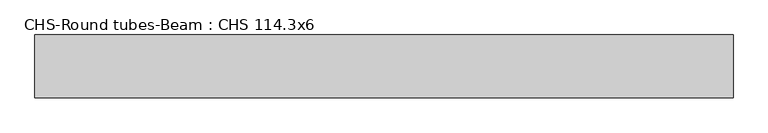
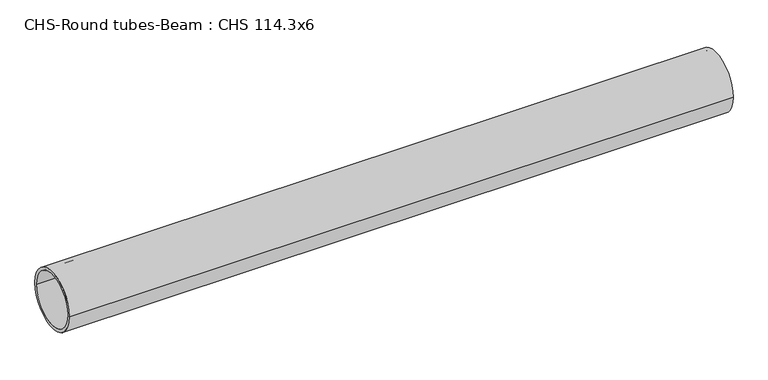
"""IFC4 building model written with IfcOpenShell, lengths in millimetres: beam geometry, CHS-Round tubes-Beam : CHS 114.3x6."""

import ifcopenshell
import ifcopenshell.guid

model = None  # the IFC model being written
_history = None  # IfcOwnerHistory: only IFC2X3 demands one
_inside = {}  # id of a spatial element -> (the spatial element, [elements in it])
_under = {}  # id of a project, library or spatial element -> (it, [spatial elements below it])
_declared = {}  # id of a project -> (the project, [libraries it declares])
_typed = {}  # id of a type object -> (the type object, [elements of that type])
_made_of = {}  # id of a material, layer set ... -> (it, [elements and type objects made of it])


def new_model(schema):
    """Start an empty IFC model of exactly this schema.

    Asked for "IFC4X3", IfcOpenShell would pick the latest addendum, in which some entities
    have other attributes; the version numbers below select the first issue.
    IFC2X3 requires an IfcOwnerHistory on every rooted entity: one is made here for all.
    """
    global model, _history
    if schema == "IFC4X3":
        model = ifcopenshell.file(schema_version=(4, 3, 0, 0))
    else:
        model = ifcopenshell.file(schema=schema)
    _inside.clear()
    _under.clear()
    _declared.clear()
    _typed.clear()
    _made_of.clear()
    _history = None
    if model.schema == "IFC2X3":
        org = make("IfcOrganization", Name="unknown")
        user = make(
            "IfcPersonAndOrganization",
            ThePerson=make("IfcPerson", FamilyName="unknown"),
            TheOrganization=org,
        )
        app = make(
            "IfcApplication",
            ApplicationDeveloper=org,
            Version="unknown",
            ApplicationFullName="unknown",
            ApplicationIdentifier="unknown",
        )
        _history = make(
            "IfcOwnerHistory",
            OwningUser=user,
            OwningApplication=app,
            ChangeAction="ADDED",
            CreationDate=0,
        )
    return model


def make(cls, **values):
    """One entity of the class cls with the attributes given. An attribute that is None is left unset."""
    return model.create_entity(
        cls, **{name: value for name, value in values.items() if value is not None}
    )


def rooted(cls, **values):
    """An entity with a GlobalId (a new one), such as an element, a storey or a relation."""
    return make(cls, GlobalId=ifcopenshell.guid.new(), OwnerHistory=_history, **values)


def si_unit(unit_type, name, prefix=None):
    """IfcSIUnit, for example si_unit("LENGTHUNIT", "METRE", prefix="MILLI")."""
    return make("IfcSIUnit", UnitType=unit_type, Prefix=prefix, Name=name)


def assignment(units):
    """IfcUnitAssignment: the units of a project."""
    return None if units is None else make("IfcUnitAssignment", Units=units)


def point(xyz):
    """IfcCartesianPoint."""
    return None if xyz is None else make("IfcCartesianPoint", Coordinates=xyz)


def direction(xyz):
    """IfcDirection."""
    return None if xyz is None else make("IfcDirection", DirectionRatios=xyz)


def frame(location, z_axis=None, x_axis=None):
    """IfcAxis2Placement3D, a coordinate frame: its origin and axes. An axis left out is left unset."""
    return make(
        "IfcAxis2Placement3D",
        Location=point(location),
        Axis=direction(z_axis),
        RefDirection=direction(x_axis),
    )


def frame_2d(location, x_axis=None):
    """IfcAxis2Placement2D, a coordinate frame in the plane: its origin and x axis."""
    return make(
        "IfcAxis2Placement2D", Location=point(location), RefDirection=direction(x_axis)
    )


def origin():
    """The frame at (0, 0, 0) with its axes left unset."""
    return frame((0.0, 0.0, 0.0))


def origin_2d():
    """The frame at (0, 0) in the plane with its x axis left unset."""
    return frame_2d((0.0, 0.0))


def place(relative_to, where):
    """IfcLocalPlacement: puts the frame where relative to a parent placement (None: the world)."""
    return make(
        "IfcLocalPlacement", PlacementRelTo=relative_to, RelativePlacement=where
    )


def context(
    kind, dimensions, precision=None, world=None, true_north=None, identifier=None
):
    """IfcGeometricRepresentationContext, for example the 3D "Model" context."""
    return make(
        "IfcGeometricRepresentationContext",
        ContextIdentifier=identifier,
        ContextType=kind,
        CoordinateSpaceDimension=dimensions,
        Precision=precision,
        WorldCoordinateSystem=world,
        TrueNorth=true_north,
    )


def project(units=None, contexts=None):
    """IfcProject with its units and contexts."""
    return rooted(
        "IfcProject",
        Name="project",
        RepresentationContexts=contexts,
        UnitsInContext=assignment(units),
    )


def spatial(cls, under=None, at=None, **own):
    """A site, building, storey or space (cls), placed at a placement, below another one or the project."""
    s = rooted(cls, ObjectPlacement=at, **own)
    if under is not None:
        _under.setdefault(under.id(), (under, []))[1].append(s)
    return s


def circle_curve(where, radius):
    """IfcCircle in the frame where."""
    return make("IfcCircle", Position=where, Radius=radius)


def trimmed(basis, trim1, trim2, sense, master):
    """IfcTrimmedCurve: the piece of a basis curve between two trims."""
    return make(
        "IfcTrimmedCurve",
        BasisCurve=basis,
        Trim1=trim1,
        Trim2=trim2,
        SenseAgreement=sense,
        MasterRepresentation=master,
    )


def segment(curve, same_sense, transition):
    """IfcCompositeCurveSegment."""
    return make(
        "IfcCompositeCurveSegment",
        Transition=transition,
        SameSense=same_sense,
        ParentCurve=curve,
    )


def composite_curve(segments, self_intersect=None):
    """IfcCompositeCurve: segments joined end to end."""
    return make("IfcCompositeCurve", Segments=segments, SelfIntersect=self_intersect)


def outline(outer, holes=None, kind="AREA"):
    """IfcArbitraryClosedProfileDef: a profile drawn as a closed curve; with holes, ...WithVoids."""
    if holes is None:
        return make("IfcArbitraryClosedProfileDef", ProfileType=kind, OuterCurve=outer)
    return make(
        "IfcArbitraryProfileDefWithVoids",
        ProfileType=kind,
        OuterCurve=outer,
        InnerCurves=holes,
    )


def extrude(swept, where, along, depth):
    """IfcExtrudedAreaSolid: the profile swept, set in the frame where, extruded along a direction by depth."""
    return make(
        "IfcExtrudedAreaSolid",
        SweptArea=swept,
        Position=where,
        ExtrudedDirection=direction(along),
        Depth=depth,
    )


def shape(context_of_items, identifier, shape_type, items):
    """IfcShapeRepresentation: the items that make up one representation, for example the "Body"."""
    return make(
        "IfcShapeRepresentation",
        ContextOfItems=context_of_items,
        RepresentationIdentifier=identifier,
        RepresentationType=shape_type,
        Items=items,
    )


def source(mapping_origin, context_of_items, identifier, shape_type, items):
    """IfcRepresentationMap: a shape defined once, which mapped items show again and again."""
    return make(
        "IfcRepresentationMap",
        MappingOrigin=mapping_origin,
        MappedRepresentation=shape(context_of_items, identifier, shape_type, items),
    )


def transform(
    local_origin,
    x_axis=None,
    y_axis=None,
    z_axis=None,
    scale=None,
    scale2=None,
    scale3=None,
    uniform=True,
):
    """IfcCartesianTransformationOperator3D, or its non-uniform kind. x_axis, y_axis, z_axis: its Axis1, 2, 3."""
    if uniform:
        return make(
            "IfcCartesianTransformationOperator3D",
            Axis1=direction(x_axis),
            Axis2=direction(y_axis),
            LocalOrigin=point(local_origin),
            Scale=scale,
            Axis3=direction(z_axis),
        )
    return make(
        "IfcCartesianTransformationOperator3DnonUniform",
        Axis1=direction(x_axis),
        Axis2=direction(y_axis),
        LocalOrigin=point(local_origin),
        Scale=scale,
        Axis3=direction(z_axis),
        Scale2=scale2,
        Scale3=scale3,
    )


def mapped(mapping_source, mapping_target):
    """IfcMappedItem: shows the shape of a source again, moved by a transform."""
    return make(
        "IfcMappedItem", MappingSource=mapping_source, MappingTarget=mapping_target
    )


def made_of(thing, what):
    """Note that an element or type object is made of a material, layer set ...; save() writes the relation."""
    if what is not None:
        _made_of.setdefault(what.id(), (what, []))[1].append(thing)
    return thing


def element(
    cls,
    number,
    at=None,
    inside=None,
    cuts=None,
    type_object=None,
    material=None,
    context=None,
    identifier="Body",
    shape_type=None,
    held_by="IfcProductDefinitionShape",
    body=None,
    shapes=None,
    **own,
):
    """One element of the class cls, such as IfcWall. Its Tag is "e" and its number.

    at: its placement. inside: the storey or other place that contains it. cuts: it is an
    opening in that element (IfcRelVoidsElement). A single representation is given by context,
    identifier, shape_type and body (its items); several are given by shapes. held_by: the class
    of the entity that holds the representations. save() writes the other relations.
    """
    e = rooted(cls, Tag="e%d" % number, ObjectPlacement=at, **own)
    if body is not None:
        shapes = [shape(context, identifier, shape_type, body)]
    if shapes is not None:
        e.Representation = make(held_by, Representations=shapes)
    if inside is not None:
        _inside.setdefault(inside.id(), (inside, []))[1].append(e)
    if cuts is not None:
        rooted(
            "IfcRelVoidsElement", RelatingBuildingElement=cuts, RelatedOpeningElement=e
        )
    if type_object is not None:
        _typed.setdefault(type_object.id(), (type_object, []))[1].append(e)
    return made_of(e, material)


def aggregate(whole, parts):
    """IfcRelAggregates: a whole, such as a stair, and the parts it consists of."""
    return rooted("IfcRelAggregates", RelatingObject=whole, RelatedObjects=parts)


def save(model, path):
    """Write the relations noted so far, then the file.

    IfcRelAggregates (storeys below a building ...), IfcRelContainedInSpatialStructure (elements
    in a storey), IfcRelDefinesByType, IfcRelAssociatesMaterial and IfcRelDeclares: one each for
    every whole, place, type object, material and project.
    """
    for whole, parts in _under.values():
        aggregate(whole, parts)
    for where, things in _inside.values():
        rooted(
            "IfcRelContainedInSpatialStructure",
            RelatedElements=things,
            RelatingStructure=where,
        )
    for kind, things in _typed.values():
        rooted("IfcRelDefinesByType", RelatedObjects=things, RelatingType=kind)
    for what, things in _made_of.values():
        rooted("IfcRelAssociatesMaterial", RelatedObjects=things, RelatingMaterial=what)
    for by, libraries in _declared.values():
        rooted("IfcRelDeclares", RelatingContext=by, RelatedDefinitions=libraries)
    model.write(path)


def chs_round_tubes_beam_chs_114_3x6_088eb5e1(model_context):
    return source(origin(), model_context, "Body", "SweptSolid", [
        extrude(outline(composite_curve([segment(trimmed(circle_curve(origin_2d(), 57.15), [point((57.15, 0.0))], [point((-57.15, 0.0))], False, "CARTESIAN"), True, "CONTINUOUS"), segment(trimmed(circle_curve(origin_2d(), 57.15), [point((-57.15, 0.0))], [point((57.15, 0.0))], False, "CARTESIAN"), True, "CONTINUOUS")], self_intersect=False), holes=[composite_curve([segment(trimmed(circle_curve(origin_2d(), 51.15), [point((51.15, 0.0))], [point((-51.15, 0.0))], True, "CARTESIAN"), True, "CONTINUOUS"), segment(trimmed(circle_curve(origin_2d(), 51.15), [point((-51.15, 0.0))], [point((51.15, 0.0))], True, "CARTESIAN"), True, "CONTINUOUS")], self_intersect=False)]), frame((-631.8454759, 0.0, 0.0), z_axis=(1.0, 0.0, 0.0), x_axis=(0.0, 1.0, 0.0)), (0.0, 0.0, 1.0), 1271.2352302),
    ])


if __name__ == "__main__":
    model = new_model("IFC4")
    model_context = context("Model", 3, world=origin())
    ifc_project = project(units=[si_unit("LENGTHUNIT", "METRE", prefix="MILLI")], contexts=[model_context])
    site = spatial("IfcSite", under=ifc_project)
    building = spatial("IfcBuilding", under=site)
    placement = place(None, origin())
    chs_round_tubes_beam_chs_114_3x6_shape = chs_round_tubes_beam_chs_114_3x6_088eb5e1(model_context)
    element("IfcBeam", 1, ObjectType="CHS-Round tubes-Beam : CHS 114.3x6", at=placement, inside=building, context=model_context, shape_type="MappedRepresentation", body=[
        mapped(chs_round_tubes_beam_chs_114_3x6_shape, transform((0.0, 0.0, 0.0), x_axis=(1.0, 0.0, 0.0), y_axis=(0.0, 1.0, 0.0), z_axis=(0.0, 0.0, 1.0))),
    ])
    save(model, "model.ifc")
